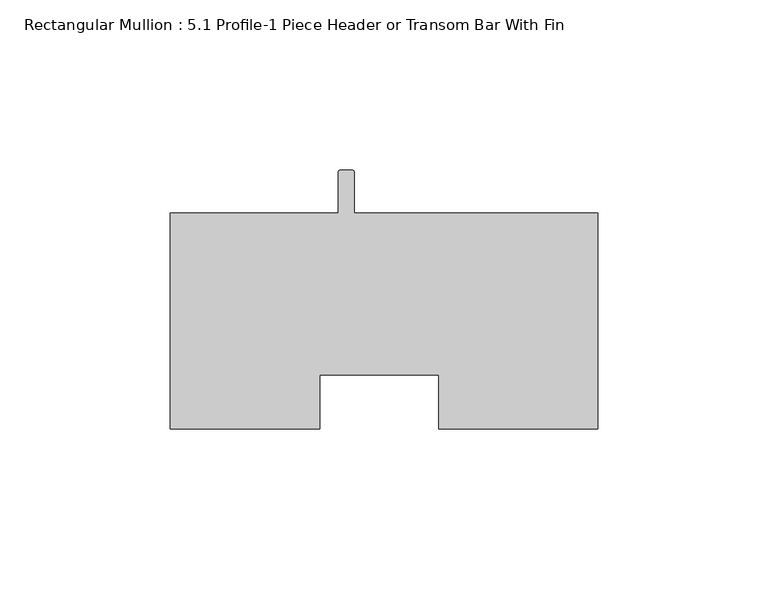
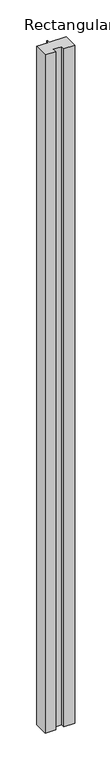
"""IFC4 building model written with IfcOpenShell, lengths in millimetres: member geometry, Rectangular Mullion : 5.1 Profile-1 Piece Header or Transom Bar With Fin."""

from ifc_helpers import new_model, si_unit, point, frame, frame_2d, origin, place, context, project, spatial, polyline, circle_curve, trimmed, segment, composite_curve, outline, extrude, source, transform, mapped, element, save


def rectangular_mullion_5_1_profile_1_piece_header_or_transom_2eec38d6(model_context):
    return source(origin(), model_context, "Body", "SweptSolid", [
        extrude(outline(composite_curve([segment(polyline([(-125.7808, 31.75), (-76.377546, 31.75), (-76.377546, 43.6426016)]), True, "CONTINUOUS"), segment(trimmed(circle_curve(frame_2d((-75.5904, 43.6626)), 0.7874), [point((-76.377546, 43.6426016))], [point((-75.5904, 44.45))], False, "CARTESIAN"), True, "CONTINUOUS"), segment(polyline([(-75.5904, 44.45), (-72.39, 44.45)]), True, "CONTINUOUS"), segment(trimmed(circle_curve(frame_2d((-72.39, 43.6626)), 0.7874), [point((-72.39, 44.45))], [point((-71.6026, 43.6626))], False, "CARTESIAN"), True, "CONTINUOUS"), segment(polyline([(-71.6026, 43.6626), (-71.6026, 31.75), (0.0, 31.75), (0.0, -31.75), (-46.8503, -31.75), (-46.8503, -15.8624762), (-81.7753, -15.8624762), (-81.7753, -31.75), (-125.7808, -31.75), (-125.7808, 31.75)]), True, "CONTINUOUS")], self_intersect=False)), frame((0.0, 0.0, -3048.0), z_axis=(0.0, 0.0, 1.0), x_axis=(1.0, 0.0, 0.0)), (0.0, 0.0, 1.0), 3048.0),
    ])


if __name__ == "__main__":
    model = new_model("IFC4")
    model_context = context("Model", 3, world=origin())
    ifc_project = project(units=[si_unit("LENGTHUNIT", "METRE", prefix="MILLI")], contexts=[model_context])
    site = spatial("IfcSite", under=ifc_project)
    building = spatial("IfcBuilding", under=site)
    placement = place(None, origin())
    rectangular_mullion_5_1_profile_1_piece_header_or_transom_shape = rectangular_mullion_5_1_profile_1_piece_header_or_transom_2eec38d6(model_context)
    element("IfcMember", 1, ObjectType="Rectangular Mullion : 5.1 Profile-1 Piece Header or Transom Bar With Fin", at=placement, inside=building, context=model_context, shape_type="MappedRepresentation", body=[
        mapped(rectangular_mullion_5_1_profile_1_piece_header_or_transom_shape, transform((0.0, 0.0, 0.0), x_axis=(1.0, 0.0, 0.0), y_axis=(0.0, 1.0, 0.0), z_axis=(0.0, 0.0, 1.0))),
    ])
    save(model, "model.ifc")
